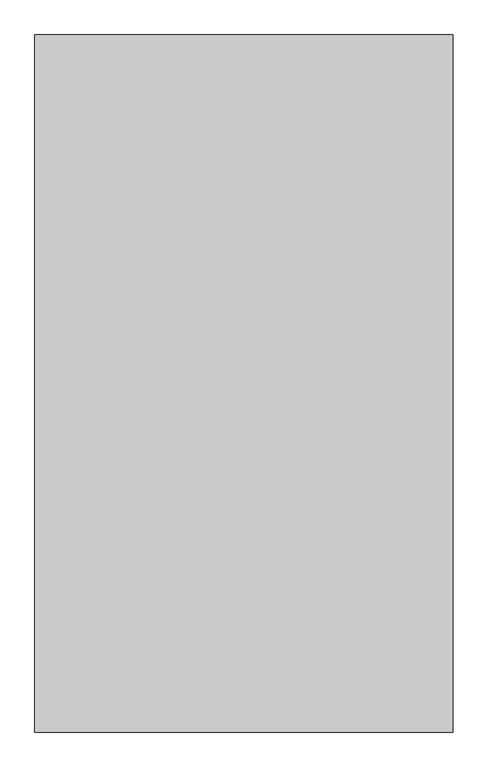
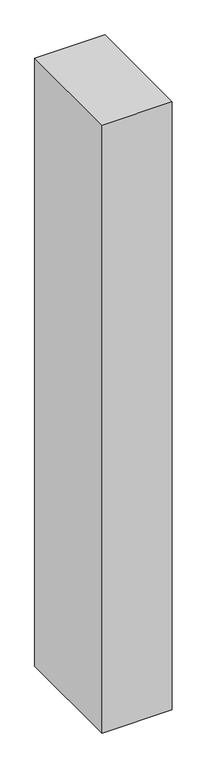
"""IFC4 building model written with IfcOpenShell, lengths in millimetres: proxy geometry."""

from ifc_helpers import new_model, si_unit, origin, origin_with_axes, place, context, project, spatial, polyline, outline, extrude, source, transform, mapped, element, save


def generic_models_0174625c(model_context):
    return source(origin(), model_context, "Body", "SweptSolid", [
        extrude(outline(polyline([(600.0, 1000.0), (600.0, 0.0), (0.0, 0.0), (0.0, 1000.0), (600.0, 1000.0)])), origin_with_axes(), (0.0, 0.0, 1.0), 5500.0),
    ])


if __name__ == "__main__":
    model = new_model("IFC4")
    model_context = context("Model", 3, world=origin())
    ifc_project = project(units=[si_unit("LENGTHUNIT", "METRE", prefix="MILLI")], contexts=[model_context])
    site = spatial("IfcSite", under=ifc_project)
    building = spatial("IfcBuilding", under=site)
    placement = place(None, origin())
    generic_models_shape = generic_models_0174625c(model_context)
    element("IfcBuildingElementProxy", 1, Name="Generic Models", at=placement, inside=building, context=model_context, shape_type="MappedRepresentation", body=[
        mapped(generic_models_shape, transform((0.0, 0.0, 0.0), x_axis=(1.0, 0.0, 0.0), y_axis=(0.0, 1.0, 0.0), z_axis=(0.0, 0.0, 1.0))),
    ])
    save(model, "model.ifc")
